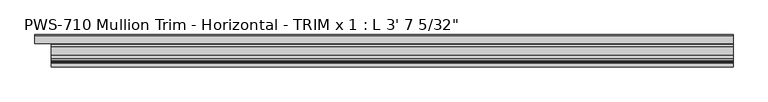
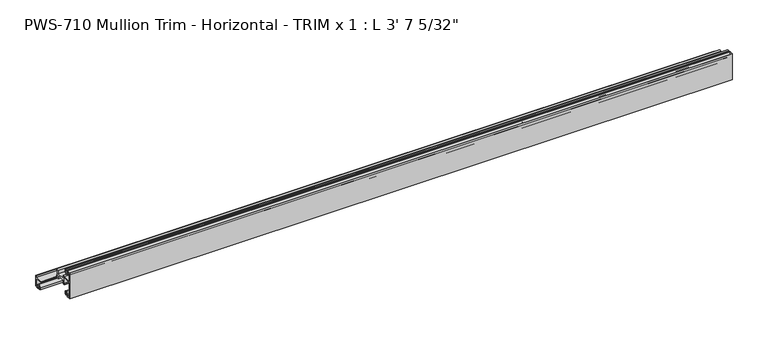
"""IFC4 building model written with IfcOpenShell, lengths in millimetres: proxy geometry."""

from ifc_helpers import new_model, si_unit, frame, origin, place, context, project, spatial, polyline, circle_curve, source, transform, mapped, element, save
from ifc_brep_helpers import plane_surface, cylinder_surface, revolved_surface, advanced_brep


def proxy_5716e7d0(model_context):
    return source(origin(), model_context, "Body", "AdvancedBrep", [
        advanced_brep(
        [(1096.16875, 1.5875, 30.95625), (1096.16875, 1.5875, 42.06748), (1096.16875, 2.38252, 42.8625), (1096.16875, 3.90398, 42.8625), (1096.16875, 4.699, 42.06748), (1096.16875, 4.699, 40.0142401), (1096.16875, 8.6995, 36.4914739), (1096.16875, 12.7, 40.0142401), (1096.16875, 12.7, 43.688), (1096.16875, 10.3627194, 43.688), (1096.16875, 10.2659469, 42.7502912), (1096.16875, 11.1125, 42.7502912), (1096.16875, 11.1125, 40.242076), (1096.16875, 8.6995, 38.1), (1096.16875, 6.2865, 40.242076), (1096.16875, 6.2865, 42.7502912), (1096.16875, 7.1755, 42.7502912), (1096.16875, 7.1755, 43.5416341), (1096.16875, 6.0569064, 44.45), (1096.16875, 0.0, 44.45), (1096.16875, 0.0, 0.0), (1096.16875, 6.0569064, 0.0), (1096.16875, 7.1755, 0.9083659), (1096.16875, 7.1755, 1.6997088), (1096.16875, 6.2865, 1.6997088), (1096.16875, 6.2865, 4.207924), (1096.16875, 8.6995, 6.35), (1096.16875, 11.1125, 4.207924), (1096.16875, 11.1125, 1.6997088), (1096.16875, 10.2659469, 1.6997088), (1096.16875, 10.3627194, 0.762), (1096.16875, 12.7, 0.762), (1096.16875, 12.7, 4.4357599), (1096.16875, 8.6995, 7.9585261), (1096.16875, 4.699, 4.4357599), (1096.16875, 4.699, 2.38252), (1096.16875, 3.90398, 1.5875), (1096.16875, 2.38252, 1.5875), (1096.16875, 1.5875, 2.38252), (1096.16875, 1.5875, 26.19375), (1096.16875, 3.175, 27.78125), (1096.16875, 15.24, 27.78125), (1096.16875, 16.8275, 26.19375), (1096.16875, 16.8275, 15.8792752), (1096.16875, 15.24, 15.8792752), (1096.16875, 15.24, 14.2917752), (1096.16875, 18.415, 14.2917752), (1096.16875, 18.415, 20.2427626), (1096.16875, 32.385, 20.2427626), (1096.16875, 32.385, 14.2917752), (1096.16875, 35.56, 14.2917752), (1096.16875, 49.2125, 14.2917752), (1096.16875, 49.2125, 2.38252), (1096.16875, 48.41748, 1.5875), (1096.16875, 46.89602, 1.5875), (1096.16875, 46.101, 2.38252), (1096.16875, 46.101, 4.4357599), (1096.16875, 42.1005, 7.9585261), (1096.16875, 38.1, 4.4357599), (1096.16875, 38.1, 0.762), (1096.16875, 40.4372806, 0.762), (1096.16875, 40.5340531, 1.6997088), (1096.16875, 39.6875, 1.6997088), (1096.16875, 39.6875, 4.207924), (1096.16875, 42.1005, 6.35), (1096.16875, 44.5135, 4.207924), (1096.16875, 44.5135, 1.6997088), (1096.16875, 43.6245, 1.6997088), (1096.16875, 43.6245, 0.9083659), (1096.16875, 44.7430936, 0.0), (1096.16875, 50.8, 0.0), (1096.16875, 50.8, 17.907), (1096.16875, 49.2125, 17.907), (1096.16875, 49.2125, 15.875), (1096.16875, 34.76625, 15.875), (1096.16875, 33.9725, 15.875), (1096.16875, 33.9725, 17.4625), (1096.16875, 35.56, 17.4625), (1096.16875, 36.35502, 18.25752), (1096.16875, 36.35502, 19.05), (1096.16875, 33.9725, 19.05), (1096.16875, 33.9725, 27.78125), (1096.16875, 35.56, 27.78125), (1096.16875, 35.56, 29.36875), (1096.16875, 32.385, 29.36875), (1096.16875, 32.385, 23.4177626), (1096.16875, 18.415, 23.4177626), (1096.16875, 18.415, 29.36875), (1096.16875, 3.175, 29.36875), (0.0, 49.2125, 15.875), (0.0, 49.2125, 17.907), (0.0, 50.8, 17.907), (0.0, 50.8, 0.0), (0.0, 44.7430936, 0.0), (0.0, 43.6245, 0.9083659), (0.0, 43.6245, 1.6997088), (0.0, 44.5135, 1.6997088), (0.0, 44.5135, 4.207924), (0.0, 42.1005, 6.35), (0.0, 39.6875, 4.207924), (0.0, 39.6875, 1.6997088), (0.0, 40.5340531, 1.6997088), (0.0, 40.4372806, 0.762), (0.0, 38.1, 0.762), (0.0, 38.1, 4.4357599), (0.0, 42.1005, 7.9585261), (0.0, 46.101, 4.4357599), (0.0, 46.101, 2.38252), (0.0, 46.89602, 1.5875), (0.0, 48.41748, 1.5875), (0.0, 49.2125, 2.38252), (0.0, 49.2125, 14.2917752), (0.0, 36.9194335, 14.2917752), (0.0, 36.9194335, 15.875), (25.4, 1.5875, 30.95625), (25.4, 1.5875, 42.06748), (25.4, 2.38252, 42.8625), (25.4, 3.90398, 42.8625), (25.4, 4.699, 42.06748), (25.4, 4.699, 40.0142401), (25.4, 8.6995, 36.4914739), (25.4, 12.7, 40.0142401), (25.4, 12.7, 43.688), (25.4, 10.3627194, 43.688), (25.4, 10.2659469, 42.7502912), (25.4, 11.1125, 42.7502912), (25.4, 11.1125, 40.242076), (25.4, 8.6995, 38.1), (25.4, 6.2865, 40.242076), (25.4, 6.2865, 42.7502912), (25.4, 7.1755, 42.7502912), (25.4, 7.1755, 43.5416341), (25.4, 6.0569064, 44.45), (25.4, 0.0, 44.45), (25.4, 0.0, 0.0), (25.4, 6.0569064, 0.0), (25.4, 7.1755, 0.9083659), (25.4, 7.1755, 1.6997088), (25.4, 6.2865, 1.6997088), (25.4, 6.2865, 4.207924), (25.4, 8.6995, 6.35), (25.4, 11.1125, 4.207924), (25.4, 11.1125, 1.6997088), (25.4, 10.2659469, 1.6997088), (25.4, 10.3627194, 0.762), (25.4, 12.7, 0.762), (25.4, 12.7, 4.4357599), (25.4, 8.6995, 7.9585261), (25.4, 4.699, 4.4357599), (25.4, 4.699, 2.38252), (25.4, 3.90398, 1.5875), (25.4, 2.38252, 1.5875), (25.4, 1.5875, 2.38252), (25.4, 1.5875, 26.19375), (25.4, 3.175, 27.78125), (25.4, 15.24, 27.78125), (25.4, 16.8275, 26.19375), (25.4, 16.8275, 15.8792752), (25.4, 15.24, 15.8792752), (25.4, 15.24, 14.2917752), (25.4, 18.415, 14.2917752), (25.4, 18.415, 20.2427626), (25.4, 32.385, 20.2427626), (25.4, 32.385, 14.2917752), (25.4, 35.56, 14.2917752), (25.4, 36.9194335, 14.2917752), (25.4, 36.9194335, 15.875), (25.4, 34.76625, 15.875), (25.4, 33.9725, 15.875), (25.4, 33.9725, 17.4625), (25.4, 35.56, 17.4625), (25.4, 36.35502, 18.25752), (25.4, 36.35502, 19.05), (25.4, 33.9725, 19.05), (25.4, 33.9725, 27.78125), (25.4, 35.56, 27.78125), (25.4, 35.56, 29.36875), (25.4, 32.385, 29.36875), (25.4, 32.385, 23.4177626), (25.4, 18.415, 23.4177626), (25.4, 18.415, 29.36875), (25.4, 3.175, 29.36875)],
        [
            (0, 1),
            (1, 2, circle_curve(frame((1096.16875, 2.38252, 42.06748), z_axis=(-1.0, 0.0, 0.0), x_axis=(0.0, 1.0, 0.0)), 0.79502)),
            (2, 3),
            (3, 4, circle_curve(frame((1096.16875, 3.90398, 42.06748), z_axis=(-1.0, 0.0, 0.0), x_axis=(0.0, 1.0, 0.0)), 0.79502)),
            (4, 5),
            (5, 6, circle_curve(frame((1096.16875, 9.3305673, 41.2410159), z_axis=(1.0, 0.0, 0.0), x_axis=(0.0, 1.0, 0.0)), 4.7912832)),
            (6, 7, circle_curve(frame((1096.16875, 8.0684327, 41.2410159), z_axis=(1.0, 0.0, 0.0), x_axis=(0.0, 1.0, 0.0)), 4.7912832)),
            (7, 8),
            (8, 9),
            (9, 10, circle_curve(frame((1096.16875, 11.3244879, 43.1148966), z_axis=(1.0, 0.0, 0.0), x_axis=(0.0, 1.0, 0.0)), 1.1195742)),
            (10, 11),
            (11, 12),
            (12, 13, circle_curve(frame((1096.16875, 8.0684327, 41.2410159), z_axis=(-1.0, 0.0, 0.0), x_axis=(0.0, 1.0, 0.0)), 3.2037832)),
            (13, 14, circle_curve(frame((1096.16875, 9.3305673, 41.2410159), z_axis=(-1.0, 0.0, 0.0), x_axis=(0.0, 1.0, 0.0)), 3.2037832)),
            (14, 15),
            (15, 16),
            (16, 17),
            (17, 18, circle_curve(frame((1096.16875, 6.0569064, 43.3070794), z_axis=(1.0, 0.0, 0.0), x_axis=(0.0, 1.0, 0.0)), 1.1429206)),
            (18, 19),
            (19, 20),
            (20, 21),
            (21, 22, circle_curve(frame((1096.16875, 6.0569064, 1.1429206), z_axis=(1.0, 0.0, 0.0), x_axis=(0.0, 1.0, 0.0)), 1.1429206)),
            (22, 23),
            (23, 24),
            (24, 25),
            (25, 26, circle_curve(frame((1096.16875, 9.3305673, 3.2089841), z_axis=(-1.0, 0.0, 0.0), x_axis=(0.0, 1.0, 0.0)), 3.2037832)),
            (26, 27, circle_curve(frame((1096.16875, 8.0684327, 3.2089841), z_axis=(-1.0, 0.0, 0.0), x_axis=(0.0, 1.0, 0.0)), 3.2037832)),
            (27, 28),
            (28, 29),
            (29, 30, circle_curve(frame((1096.16875, 11.3244879, 1.3351034), z_axis=(1.0, 0.0, 0.0), x_axis=(0.0, 1.0, 0.0)), 1.1195742)),
            (30, 31),
            (31, 32),
            (32, 33, circle_curve(frame((1096.16875, 8.0684327, 3.2089841), z_axis=(1.0, 0.0, 0.0), x_axis=(0.0, 1.0, 0.0)), 4.7912832)),
            (33, 34, circle_curve(frame((1096.16875, 9.3305673, 3.2089841), z_axis=(1.0, 0.0, 0.0), x_axis=(0.0, 1.0, 0.0)), 4.7912832)),
            (34, 35),
            (35, 36, circle_curve(frame((1096.16875, 3.90398, 2.38252), z_axis=(-1.0, 0.0, 0.0), x_axis=(0.0, 1.0, 0.0)), 0.79502)),
            (36, 37),
            (37, 38, circle_curve(frame((1096.16875, 2.38252, 2.38252), z_axis=(-1.0, 0.0, 0.0), x_axis=(0.0, 1.0, 0.0)), 0.79502)),
            (38, 39),
            (39, 40, circle_curve(frame((1096.16875, 3.175, 26.19375), z_axis=(-1.0, 0.0, 0.0), x_axis=(0.0, 1.0, 0.0)), 1.5875)),
            (40, 41),
            (41, 42, circle_curve(frame((1096.16875, 15.24, 26.19375), z_axis=(-1.0, 0.0, 0.0), x_axis=(0.0, 1.0, 0.0)), 1.5875)),
            (42, 43),
            (43, 44),
            (44, 45),
            (45, 46),
            (46, 47),
            (47, 48),
            (48, 49),
            (49, 50),
            (50, 51),
            (51, 52),
            (52, 53, circle_curve(frame((1096.16875, 48.41748, 2.38252), z_axis=(-1.0, 0.0, 0.0), x_axis=(0.0, 1.0, 0.0)), 0.79502)),
            (53, 54),
            (54, 55, circle_curve(frame((1096.16875, 46.89602, 2.38252), z_axis=(-1.0, 0.0, 0.0), x_axis=(0.0, 1.0, 0.0)), 0.79502)),
            (55, 56),
            (56, 57, circle_curve(frame((1096.16875, 41.4694327, 3.2089841), z_axis=(1.0, 0.0, 0.0), x_axis=(0.0, 1.0, 0.0)), 4.7912832)),
            (57, 58, circle_curve(frame((1096.16875, 42.7315673, 3.2089841), z_axis=(1.0, 0.0, 0.0), x_axis=(0.0, 1.0, 0.0)), 4.7912832)),
            (58, 59),
            (59, 60),
            (60, 61, circle_curve(frame((1096.16875, 39.4755121, 1.3351034), z_axis=(1.0, 0.0, 0.0), x_axis=(0.0, 1.0, 0.0)), 1.1195742)),
            (61, 62),
            (62, 63),
            (63, 64, circle_curve(frame((1096.16875, 42.7315673, 3.2089841), z_axis=(-1.0, 0.0, 0.0), x_axis=(0.0, 1.0, 0.0)), 3.2037832)),
            (64, 65, circle_curve(frame((1096.16875, 41.4694327, 3.2089841), z_axis=(-1.0, 0.0, 0.0), x_axis=(0.0, 1.0, 0.0)), 3.2037832)),
            (65, 66),
            (66, 67),
            (67, 68),
            (68, 69, circle_curve(frame((1096.16875, 44.7430936, 1.1429206), z_axis=(1.0, 0.0, 0.0), x_axis=(0.0, 1.0, 0.0)), 1.1429206)),
            (69, 70),
            (70, 71),
            (71, 72),
            (72, 73),
            (73, 74),
            (74, 75),
            (75, 76),
            (76, 77),
            (77, 78, circle_curve(frame((1096.16875, 35.56, 18.25752), z_axis=(1.0, 0.0, 0.0), x_axis=(0.0, 1.0, 0.0)), 0.79502)),
            (78, 79),
            (79, 80),
            (80, 81),
            (81, 82),
            (82, 83),
            (83, 84),
            (84, 85),
            (85, 86),
            (86, 87),
            (87, 88),
            (88, 0, circle_curve(frame((1096.16875, 3.175, 30.95625), z_axis=(-1.0, 0.0, 0.0), x_axis=(0.0, 1.0, 0.0)), 1.5875)),
            (89, 90),
            (90, 91),
            (91, 92),
            (92, 93),
            (93, 94, circle_curve(frame((0.0, 44.7430936, 1.1429206), z_axis=(-1.0, 0.0, 0.0), x_axis=(0.0, 1.0, 0.0)), 1.1429206)),
            (94, 95),
            (95, 96),
            (96, 97),
            (97, 98, circle_curve(frame((0.0, 41.4694327, 3.2089841), z_axis=(1.0, 0.0, 0.0), x_axis=(0.0, 1.0, 0.0)), 3.2037832)),
            (98, 99, circle_curve(frame((0.0, 42.7315673, 3.2089841), z_axis=(1.0, 0.0, 0.0), x_axis=(0.0, 1.0, 0.0)), 3.2037832)),
            (99, 100),
            (100, 101),
            (101, 102, circle_curve(frame((0.0, 39.4755121, 1.3351034), z_axis=(-1.0, 0.0, 0.0), x_axis=(0.0, 1.0, 0.0)), 1.1195742)),
            (102, 103),
            (103, 104),
            (104, 105, circle_curve(frame((0.0, 42.7315673, 3.2089841), z_axis=(-1.0, 0.0, 0.0), x_axis=(0.0, 1.0, 0.0)), 4.7912832)),
            (105, 106, circle_curve(frame((0.0, 41.4694327, 3.2089841), z_axis=(-1.0, 0.0, 0.0), x_axis=(0.0, 1.0, 0.0)), 4.7912832)),
            (106, 107),
            (107, 108, circle_curve(frame((0.0, 46.89602, 2.38252), z_axis=(1.0, 0.0, 0.0), x_axis=(0.0, 1.0, 0.0)), 0.79502)),
            (108, 109),
            (109, 110, circle_curve(frame((0.0, 48.41748, 2.38252), z_axis=(1.0, 0.0, 0.0), x_axis=(0.0, 1.0, 0.0)), 0.79502)),
            (110, 111),
            (111, 112),
            (112, 113),
            (113, 89),
            (0, 114),
            (114, 115),
            (115, 1),
            (115, 116, circle_curve(frame((25.4, 2.38252, 42.06748), z_axis=(-1.0, 0.0, 0.0), x_axis=(0.0, 1.0, 0.0)), 0.79502)),
            (116, 2),
            (116, 117),
            (117, 3),
            (117, 118, circle_curve(frame((25.4, 3.90398, 42.06748), z_axis=(-1.0, 0.0, 0.0), x_axis=(0.0, 1.0, 0.0)), 0.79502)),
            (118, 4),
            (118, 119),
            (119, 5),
            (119, 120, circle_curve(frame((25.4, 9.3305673, 41.2410159), z_axis=(1.0, 0.0, 0.0), x_axis=(0.0, 1.0, 0.0)), 4.7912832)),
            (120, 6),
            (120, 121, circle_curve(frame((25.4, 8.0684327, 41.2410159), z_axis=(1.0, 0.0, 0.0), x_axis=(0.0, 1.0, 0.0)), 4.7912832)),
            (121, 7),
            (121, 122),
            (122, 8),
            (122, 123),
            (123, 9),
            (123, 124, circle_curve(frame((25.4, 11.3244879, 43.1148966), z_axis=(1.0, 0.0, 0.0), x_axis=(0.0, 1.0, 0.0)), 1.1195742)),
            (124, 10),
            (124, 125),
            (125, 11),
            (125, 126),
            (126, 12),
            (126, 127, circle_curve(frame((25.4, 8.0684327, 41.2410159), z_axis=(-1.0, 0.0, 0.0), x_axis=(0.0, 1.0, 0.0)), 3.2037832)),
            (127, 13),
            (127, 128, circle_curve(frame((25.4, 9.3305673, 41.2410159), z_axis=(-1.0, 0.0, 0.0), x_axis=(0.0, 1.0, 0.0)), 3.2037832)),
            (128, 14),
            (128, 129),
            (129, 15),
            (129, 130),
            (130, 16),
            (130, 131),
            (131, 17),
            (131, 132, circle_curve(frame((25.4, 6.0569064, 43.3070794), z_axis=(1.0, 0.0, 0.0), x_axis=(0.0, 1.0, 0.0)), 1.1429206)),
            (132, 18),
            (132, 133),
            (133, 19),
            (133, 134),
            (134, 20),
            (134, 135),
            (135, 21),
            (135, 136, circle_curve(frame((25.4, 6.0569064, 1.1429206), z_axis=(1.0, 0.0, 0.0), x_axis=(0.0, 1.0, 0.0)), 1.1429206)),
            (136, 22),
            (136, 137),
            (137, 23),
            (137, 138),
            (138, 24),
            (138, 139),
            (139, 25),
            (139, 140, circle_curve(frame((25.4, 9.3305673, 3.2089841), z_axis=(-1.0, 0.0, 0.0), x_axis=(0.0, 1.0, 0.0)), 3.2037832)),
            (140, 26),
            (140, 141, circle_curve(frame((25.4, 8.0684327, 3.2089841), z_axis=(-1.0, 0.0, 0.0), x_axis=(0.0, 1.0, 0.0)), 3.2037832)),
            (141, 27),
            (141, 142),
            (142, 28),
            (142, 143),
            (143, 29),
            (143, 144, circle_curve(frame((25.4, 11.3244879, 1.3351034), z_axis=(1.0, 0.0, 0.0), x_axis=(0.0, 1.0, 0.0)), 1.1195742)),
            (144, 30),
            (144, 145),
            (145, 31),
            (145, 146),
            (146, 32),
            (146, 147, circle_curve(frame((25.4, 8.0684327, 3.2089841), z_axis=(1.0, 0.0, 0.0), x_axis=(0.0, 1.0, 0.0)), 4.7912832)),
            (147, 33),
            (147, 148, circle_curve(frame((25.4, 9.3305673, 3.2089841), z_axis=(1.0, 0.0, 0.0), x_axis=(0.0, 1.0, 0.0)), 4.7912832)),
            (148, 34),
            (148, 149),
            (149, 35),
            (149, 150, circle_curve(frame((25.4, 3.90398, 2.38252), z_axis=(-1.0, 0.0, 0.0), x_axis=(0.0, 1.0, 0.0)), 0.79502)),
            (150, 36),
            (150, 151),
            (151, 37),
            (151, 152, circle_curve(frame((25.4, 2.38252, 2.38252), z_axis=(-1.0, 0.0, 0.0), x_axis=(0.0, 1.0, 0.0)), 0.79502)),
            (152, 38),
            (152, 153),
            (153, 39),
            (153, 154, circle_curve(frame((25.4, 3.175, 26.19375), z_axis=(-1.0, 0.0, 0.0), x_axis=(0.0, 1.0, 0.0)), 1.5875)),
            (154, 40),
            (154, 155),
            (155, 41),
            (155, 156, circle_curve(frame((25.4, 15.24, 26.19375), z_axis=(-1.0, 0.0, 0.0), x_axis=(0.0, 1.0, 0.0)), 1.5875)),
            (156, 42),
            (156, 157),
            (157, 43),
            (157, 158),
            (158, 44),
            (158, 159),
            (159, 45),
            (159, 160),
            (160, 46),
            (160, 161),
            (161, 47),
            (161, 162),
            (162, 48),
            (162, 163),
            (163, 49),
            (163, 164),
            (164, 50),
            (164, 165),
            (165, 112),
            (111, 51),
            (110, 52),
            (109, 53),
            (108, 54),
            (107, 55),
            (106, 56),
            (105, 57),
            (104, 58),
            (103, 59),
            (102, 60),
            (101, 61),
            (100, 62),
            (99, 63),
            (98, 64),
            (97, 65),
            (96, 66),
            (95, 67),
            (94, 68),
            (93, 69),
            (92, 70),
            (91, 71),
            (90, 72),
            (89, 73),
            (113, 166),
            (166, 167),
            (167, 74),
            (167, 168),
            (168, 75),
            (168, 169),
            (169, 76),
            (169, 170),
            (170, 77),
            (170, 171, circle_curve(frame((25.4, 35.56, 18.25752), z_axis=(1.0, 0.0, 0.0), x_axis=(0.0, 1.0, 0.0)), 0.79502)),
            (171, 78),
            (171, 172),
            (172, 79),
            (172, 173),
            (173, 80),
            (173, 174),
            (174, 81),
            (174, 175),
            (175, 82),
            (175, 176),
            (176, 83),
            (176, 177),
            (177, 84),
            (177, 178),
            (178, 85),
            (178, 179),
            (179, 86),
            (179, 180),
            (180, 87),
            (180, 181),
            (181, 88),
            (181, 114, circle_curve(frame((25.4, 3.175, 30.95625), z_axis=(-1.0, 0.0, 0.0), x_axis=(0.0, 1.0, 0.0)), 1.5875)),
            (165, 166),
        ],
        [
            plane_surface(frame((1096.16875, 1.5875, 30.95625), z_axis=(1.0, 0.0, 0.0), x_axis=(0.0, 0.0, 1.0))),
            plane_surface(frame((0.0, 1.5875, 30.95625), z_axis=(-1.0, 0.0, 0.0), x_axis=(0.0, 0.0, -1.0))),
            plane_surface(frame((1096.16875, 1.5875, 30.95625), z_axis=(0.0, 1.0, 0.0), x_axis=(-1.0, 0.0, 0.0))),
            revolved_surface(polyline([(25.4, 3.17754, 42.06748), (1096.16875, 3.17754, 42.06748)]), (0.0, 2.38252, 42.06748), (-1.0, 0.0, 0.0)),
            plane_surface(frame((1096.16875, 2.38252, 42.8625), z_axis=(0.0, 0.0, -1.0), x_axis=(-1.0, 0.0, 0.0))),
            revolved_surface(polyline([(25.4, 4.699, 42.06748), (1096.16875, 4.699, 42.06748)]), (0.0, 3.90398, 42.06748), (-1.0, 0.0, 0.0)),
            plane_surface(frame((1096.16875, 4.699, 42.06748), z_axis=(0.0, -1.0, 0.0), x_axis=(-1.0, 0.0, 0.0))),
            cylinder_surface(frame((0.0, 9.3305673, 41.2410159), z_axis=(1.0, 0.0, 0.0), x_axis=(0.0, 1.0, 0.0)), 4.7912832),
            cylinder_surface(frame((0.0, 8.0684327, 41.2410159), z_axis=(1.0, 0.0, 0.0), x_axis=(0.0, 1.0, 0.0)), 4.7912832),
            plane_surface(frame((1096.16875, 12.7, 40.0142401), z_axis=(0.0, 1.0, 0.0), x_axis=(-1.0, 0.0, 0.0))),
            plane_surface(frame((1096.16875, 12.7, 43.688), z_axis=(0.0, 0.0, 1.0), x_axis=(-1.0, 0.0, 0.0))),
            cylinder_surface(frame((0.0, 11.3244879, 43.1148966), z_axis=(1.0, 0.0, 0.0), x_axis=(0.0, 1.0, 0.0)), 1.1195742),
            plane_surface(frame((1096.16875, 10.2659469, 42.7502912), z_axis=(0.0, 0.0, -1.0), x_axis=(-1.0, 0.0, 0.0))),
            plane_surface(frame((1096.16875, 11.1125, 42.7502912), z_axis=(0.0, -1.0, 0.0), x_axis=(-1.0, 0.0, 0.0))),
            revolved_surface(polyline([(25.4, 11.2722159, 41.2410159), (1096.16875, 11.2722159, 41.2410159)]), (0.0, 8.0684327, 41.2410159), (-1.0, 0.0, 0.0)),
            revolved_surface(polyline([(25.4, 12.5343505, 41.2410159), (1096.16875, 12.5343505, 41.2410159)]), (0.0, 9.3305673, 41.2410159), (-1.0, 0.0, 0.0)),
            plane_surface(frame((1096.16875, 6.2865, 40.242076), z_axis=(0.0, 1.0, 0.0), x_axis=(-1.0, 0.0, 0.0))),
            plane_surface(frame((1096.16875, 6.2865, 42.7502912), z_axis=(0.0, 0.0, -1.0), x_axis=(-1.0, 0.0, 0.0))),
            plane_surface(frame((1096.16875, 7.1755, 42.7502912), z_axis=(0.0, 1.0, 0.0), x_axis=(-1.0, 0.0, 0.0))),
            cylinder_surface(frame((0.0, 6.0569064, 43.3070794), z_axis=(1.0, 0.0, 0.0), x_axis=(0.0, 1.0, 0.0)), 1.1429206),
            plane_surface(frame((1096.16875, 6.0569064, 44.45), z_axis=(0.0, 0.0, 1.0), x_axis=(-1.0, 0.0, 0.0))),
            plane_surface(frame((1096.16875, 0.0, 44.45), z_axis=(0.0, -1.0, 0.0), x_axis=(-1.0, 0.0, 0.0))),
            plane_surface(frame((1096.16875, 0.0, 0.0), z_axis=(0.0, 0.0, -1.0), x_axis=(-1.0, 0.0, 0.0))),
            cylinder_surface(frame((0.0, 6.0569064, 1.1429206), z_axis=(1.0, 0.0, 0.0), x_axis=(0.0, 1.0, 0.0)), 1.1429206),
            plane_surface(frame((1096.16875, 7.1755, 0.9083659), z_axis=(0.0, 1.0, 0.0), x_axis=(-1.0, 0.0, 0.0))),
            plane_surface(frame((1096.16875, 7.1755, 1.6997088), z_axis=(0.0, 0.0, 1.0), x_axis=(-1.0, 0.0, 0.0))),
            plane_surface(frame((1096.16875, 6.2865, 1.6997088), z_axis=(0.0, 1.0, 0.0), x_axis=(-1.0, 0.0, 0.0))),
            revolved_surface(polyline([(25.4, 12.5343505, 3.2089841), (1096.16875, 12.5343505, 3.2089841)]), (0.0, 9.3305673, 3.2089841), (-1.0, 0.0, 0.0)),
            revolved_surface(polyline([(25.4, 11.2722159, 3.2089841), (1096.16875, 11.2722159, 3.2089841)]), (0.0, 8.0684327, 3.2089841), (-1.0, 0.0, 0.0)),
            plane_surface(frame((1096.16875, 11.1125, 4.207924), z_axis=(0.0, -1.0, 0.0), x_axis=(-1.0, 0.0, 0.0))),
            plane_surface(frame((1096.16875, 11.1125, 1.6997088), z_axis=(0.0, 0.0, 1.0), x_axis=(-1.0, 0.0, 0.0))),
            cylinder_surface(frame((0.0, 11.3244879, 1.3351034), z_axis=(1.0, 0.0, 0.0), x_axis=(0.0, 1.0, 0.0)), 1.1195742),
            plane_surface(frame((1096.16875, 10.3627194, 0.762), z_axis=(0.0, 0.0, -1.0), x_axis=(-1.0, 0.0, 0.0))),
            plane_surface(frame((1096.16875, 12.7, 0.762), z_axis=(0.0, 1.0, 0.0), x_axis=(-1.0, 0.0, 0.0))),
            cylinder_surface(frame((0.0, 8.0684327, 3.2089841), z_axis=(1.0, 0.0, 0.0), x_axis=(0.0, 1.0, 0.0)), 4.7912832),
            cylinder_surface(frame((0.0, 9.3305673, 3.2089841), z_axis=(1.0, 0.0, 0.0), x_axis=(0.0, 1.0, 0.0)), 4.7912832),
            plane_surface(frame((1096.16875, 4.699, 4.4357599), z_axis=(0.0, -1.0, 0.0), x_axis=(-1.0, 0.0, 0.0))),
            revolved_surface(polyline([(25.4, 4.699, 2.38252), (1096.16875, 4.699, 2.38252)]), (0.0, 3.90398, 2.38252), (-1.0, 0.0, 0.0)),
            plane_surface(frame((1096.16875, 3.90398, 1.5875), z_axis=(0.0, 0.0, 1.0), x_axis=(-1.0, 0.0, 0.0))),
            revolved_surface(polyline([(25.4, 3.17754, 2.38252), (1096.16875, 3.17754, 2.38252)]), (0.0, 2.38252, 2.38252), (-1.0, 0.0, 0.0)),
            plane_surface(frame((1096.16875, 1.5875, 2.38252), z_axis=(0.0, 1.0, 0.0), x_axis=(-1.0, 0.0, 0.0))),
            revolved_surface(polyline([(25.4, 4.762499999999999, 26.19375), (1096.16875, 4.762499999999999, 26.19375)]), (0.0, 3.175, 26.19375), (-1.0, 0.0, 0.0)),
            plane_surface(frame((1096.16875, 3.175, 27.78125), z_axis=(0.0, 0.0, -1.0), x_axis=(-1.0, 0.0, 0.0))),
            revolved_surface(polyline([(25.4, 16.8275, 26.19375), (1096.16875, 16.8275, 26.19375)]), (0.0, 15.24, 26.19375), (-1.0, 0.0, 0.0)),
            plane_surface(frame((1096.16875, 16.8275, 26.19375), z_axis=(0.0, -1.0, 0.0), x_axis=(-1.0, 0.0, 0.0))),
            plane_surface(frame((1096.16875, 16.8275, 15.8792752), z_axis=(0.0, 0.0, 1.0), x_axis=(-1.0, 0.0, 0.0))),
            plane_surface(frame((1096.16875, 15.24, 15.8792752), z_axis=(0.0, -1.0, 0.0), x_axis=(-1.0, 0.0, 0.0))),
            plane_surface(frame((1096.16875, 15.24, 14.2917752), z_axis=(0.0, 0.0, -1.0), x_axis=(-1.0, 0.0, 0.0))),
            plane_surface(frame((1096.16875, 18.415, 14.2917752), z_axis=(0.0, 1.0, 0.0), x_axis=(-1.0, 0.0, 0.0))),
            plane_surface(frame((1096.16875, 18.415, 20.2427626), z_axis=(0.0, 0.0, -1.0), x_axis=(-1.0, 0.0, 0.0))),
            plane_surface(frame((1096.16875, 32.385, 20.2427626), z_axis=(0.0, -1.0, 0.0), x_axis=(-1.0, 0.0, 0.0))),
            plane_surface(frame((1096.16875, 32.385, 14.2917752), z_axis=(0.0, 0.0, -1.0), x_axis=(-1.0, 0.0, 0.0))),
            plane_surface(frame((1096.16875, 35.56, 14.2917752), z_axis=(0.0, 0.0, -1.0), x_axis=(-1.0, 0.0, 0.0))),
            plane_surface(frame((1096.16875, 49.2125, 14.2917752), z_axis=(0.0, -1.0, 0.0), x_axis=(-1.0, 0.0, 0.0))),
            revolved_surface(polyline([(0.0, 49.2125, 2.38252), (1096.16875, 49.2125, 2.38252)]), (0.0, 48.41748, 2.38252), (-1.0, 0.0, 0.0)),
            plane_surface(frame((1096.16875, 48.41748, 1.5875), z_axis=(0.0, 0.0, 1.0), x_axis=(-1.0, 0.0, 0.0))),
            revolved_surface(polyline([(0.0, 47.69104, 2.38252), (1096.16875, 47.69104, 2.38252)]), (0.0, 46.89602, 2.38252), (-1.0, 0.0, 0.0)),
            plane_surface(frame((1096.16875, 46.101, 2.38252), z_axis=(0.0, 1.0, 0.0), x_axis=(-1.0, 0.0, 0.0))),
            cylinder_surface(frame((0.0, 41.4694327, 3.2089841), z_axis=(1.0, 0.0, 0.0), x_axis=(0.0, 1.0, 0.0)), 4.7912832),
            cylinder_surface(frame((0.0, 42.7315673, 3.2089841), z_axis=(1.0, 0.0, 0.0), x_axis=(0.0, 1.0, 0.0)), 4.7912832),
            plane_surface(frame((1096.16875, 38.1, 4.4357599), z_axis=(0.0, -1.0, 0.0), x_axis=(-1.0, 0.0, 0.0))),
            plane_surface(frame((1096.16875, 38.1, 0.762), z_axis=(0.0, 0.0, -1.0), x_axis=(-1.0, 0.0, 0.0))),
            cylinder_surface(frame((0.0, 39.4755121, 1.3351034), z_axis=(1.0, 0.0, 0.0), x_axis=(0.0, 1.0, 0.0)), 1.1195742),
            plane_surface(frame((1096.16875, 40.5340531, 1.6997088), z_axis=(0.0, 0.0, 1.0), x_axis=(-1.0, 0.0, 0.0))),
            plane_surface(frame((1096.16875, 39.6875, 1.6997088), z_axis=(0.0, 1.0, 0.0), x_axis=(-1.0, 0.0, 0.0))),
            revolved_surface(polyline([(0.0, 45.9353505, 3.2089841), (1096.16875, 45.9353505, 3.2089841)]), (0.0, 42.7315673, 3.2089841), (-1.0, 0.0, 0.0)),
            revolved_surface(polyline([(0.0, 44.6732159, 3.2089841), (1096.16875, 44.6732159, 3.2089841)]), (0.0, 41.4694327, 3.2089841), (-1.0, 0.0, 0.0)),
            plane_surface(frame((1096.16875, 44.5135, 4.207924), z_axis=(0.0, -1.0, 0.0), x_axis=(-1.0, 0.0, 0.0))),
            plane_surface(frame((1096.16875, 44.5135, 1.6997088), z_axis=(0.0, 0.0, 1.0), x_axis=(-1.0, 0.0, 0.0))),
            plane_surface(frame((1096.16875, 43.6245, 1.6997088), z_axis=(0.0, -1.0, 0.0), x_axis=(-1.0, 0.0, 0.0))),
            cylinder_surface(frame((0.0, 44.7430936, 1.1429206), z_axis=(1.0, 0.0, 0.0), x_axis=(0.0, 1.0, 0.0)), 1.1429206),
            plane_surface(frame((1096.16875, 44.7430936, 0.0), z_axis=(0.0, 0.0, -1.0), x_axis=(-1.0, 0.0, 0.0))),
            plane_surface(frame((1096.16875, 50.8, 0.0), z_axis=(0.0, 1.0, 0.0), x_axis=(-1.0, 0.0, 0.0))),
            plane_surface(frame((1096.16875, 50.8, 17.907), z_axis=(0.0, 0.0, 1.0), x_axis=(-1.0, 0.0, 0.0))),
            plane_surface(frame((1096.16875, 49.2125, 17.907), z_axis=(0.0, -1.0, 0.0), x_axis=(-1.0, 0.0, 0.0))),
            plane_surface(frame((1096.16875, 49.2125, 15.875), z_axis=(0.0, 0.0, 1.0), x_axis=(-1.0, 0.0, 0.0))),
            plane_surface(frame((1096.16875, 34.76625, 15.875), z_axis=(0.0, 0.0, 1.0), x_axis=(-1.0, 0.0, 0.0))),
            plane_surface(frame((1096.16875, 33.9725, 15.875), z_axis=(0.0, 1.0, 0.0), x_axis=(-1.0, 0.0, 0.0))),
            plane_surface(frame((1096.16875, 33.9725, 17.4625), z_axis=(0.0, 0.0, -1.0), x_axis=(-1.0, 0.0, 0.0))),
            cylinder_surface(frame((0.0, 35.56, 18.25752), z_axis=(1.0, 0.0, 0.0), x_axis=(0.0, 1.0, 0.0)), 0.79502),
            plane_surface(frame((1096.16875, 36.35502, 18.25752), z_axis=(0.0, 1.0, 0.0), x_axis=(-1.0, 0.0, 0.0))),
            plane_surface(frame((1096.16875, 36.35502, 19.05), z_axis=(0.0, 0.0, 1.0), x_axis=(-1.0, 0.0, 0.0))),
            plane_surface(frame((1096.16875, 33.9725, 19.05), z_axis=(0.0, 1.0, 0.0), x_axis=(-1.0, 0.0, 0.0))),
            plane_surface(frame((1096.16875, 33.9725, 27.78125), z_axis=(0.0, 0.0, -1.0), x_axis=(-1.0, 0.0, 0.0))),
            plane_surface(frame((1096.16875, 35.56, 27.78125), z_axis=(0.0, 1.0, 0.0), x_axis=(-1.0, 0.0, 0.0))),
            plane_surface(frame((1096.16875, 35.56, 29.36875), z_axis=(0.0, 0.0, 1.0), x_axis=(-1.0, 0.0, 0.0))),
            plane_surface(frame((1096.16875, 32.385, 29.36875), z_axis=(0.0, -1.0, 0.0), x_axis=(-1.0, 0.0, 0.0))),
            plane_surface(frame((1096.16875, 32.385, 23.4177626), z_axis=(0.0, 0.0, 1.0), x_axis=(-1.0, 0.0, 0.0))),
            plane_surface(frame((1096.16875, 18.415, 23.4177626), z_axis=(0.0, 1.0, 0.0), x_axis=(-1.0, 0.0, 0.0))),
            plane_surface(frame((1096.16875, 18.415, 29.36875), z_axis=(0.0, 0.0, 1.0), x_axis=(-1.0, 0.0, 0.0))),
            revolved_surface(polyline([(25.4, 4.762499999999999, 30.95625), (1096.16875, 4.762499999999999, 30.95625)]), (0.0, 3.175, 30.95625), (-1.0, 0.0, 0.0)),
            plane_surface(frame((25.4, 36.9194335, 45.0726864), z_axis=(0.0, -1.0, 0.0), x_axis=(0.0, 0.0, -1.0))),
            plane_surface(frame((25.4, 0.0, 45.0726864), z_axis=(-1.0, 0.0, 0.0), x_axis=(0.0, 0.0, -1.0))),
        ],
        [
            (0, [[1, 2, 3, 4, 5, 6, 7, 8, 9, 10, 11, 12, 13, 14, 15, 16, 17, 18, 19, 20, 21, 22, 23, 24, 25, 26, 27, 28, 29, 30, 31, 32, 33, 34, 35, 36, 37, 38, 39, 40, 41, 42, 43, 44, 45, 46, 47, 48, 49, 50, 51, 52, 53, 54, 55, 56, 57, 58, 59, 60, 61, 62, 63, 64, 65, 66, 67, 68, 69, 70, 71, 72, 73, 74, 75, 76, 77, 78, 79, 80, 81, 82, 83, 84, 85, 86, 87, 88, 89]]),
            (1, [[90, 91, 92, 93, 94, 95, 96, 97, 98, 99, 100, 101, 102, 103, 104, 105, 106, 107, 108, 109, 110, 111, 112, 113, 114]]),
            (2, [[-1, 115, 116, 117]]),
            (3, [[-2, -117, 118, 119]]),
            (4, [[-3, -119, 120, 121]]),
            (5, [[-4, -121, 122, 123]]),
            (6, [[-5, -123, 124, 125]]),
            (7, [[-6, -125, 126, 127]]),
            (8, [[-7, -127, 128, 129]]),
            (9, [[-8, -129, 130, 131]]),
            (10, [[-9, -131, 132, 133]]),
            (11, [[-10, -133, 134, 135]]),
            (12, [[-11, -135, 136, 137]]),
            (13, [[-12, -137, 138, 139]]),
            (14, [[-13, -139, 140, 141]]),
            (15, [[-14, -141, 142, 143]]),
            (16, [[-15, -143, 144, 145]]),
            (17, [[-16, -145, 146, 147]]),
            (18, [[-17, -147, 148, 149]]),
            (19, [[-18, -149, 150, 151]]),
            (20, [[-19, -151, 152, 153]]),
            (21, [[-20, -153, 154, 155]]),
            (22, [[-21, -155, 156, 157]]),
            (23, [[-22, -157, 158, 159]]),
            (24, [[-23, -159, 160, 161]]),
            (25, [[-24, -161, 162, 163]]),
            (26, [[-25, -163, 164, 165]]),
            (27, [[-26, -165, 166, 167]]),
            (28, [[-27, -167, 168, 169]]),
            (29, [[-28, -169, 170, 171]]),
            (30, [[-29, -171, 172, 173]]),
            (31, [[-30, -173, 174, 175]]),
            (32, [[-31, -175, 176, 177]]),
            (33, [[-32, -177, 178, 179]]),
            (34, [[-33, -179, 180, 181]]),
            (35, [[-34, -181, 182, 183]]),
            (36, [[-35, -183, 184, 185]]),
            (37, [[-36, -185, 186, 187]]),
            (38, [[-37, -187, 188, 189]]),
            (39, [[-38, -189, 190, 191]]),
            (40, [[-39, -191, 192, 193]]),
            (41, [[-40, -193, 194, 195]]),
            (42, [[-41, -195, 196, 197]]),
            (43, [[-42, -197, 198, 199]]),
            (44, [[-43, -199, 200, 201]]),
            (45, [[-44, -201, 202, 203]]),
            (46, [[-45, -203, 204, 205]]),
            (47, [[-46, -205, 206, 207]]),
            (48, [[-47, -207, 208, 209]]),
            (49, [[-48, -209, 210, 211]]),
            (50, [[-49, -211, 212, 213]]),
            (51, [[-50, -213, 214, 215]]),
            (52, [[-51, -215, 216, 217, -112, 218]]),
            (53, [[-52, -218, -111, 219]]),
            (54, [[-53, -219, -110, 220]]),
            (55, [[-54, -220, -109, 221]]),
            (56, [[-55, -221, -108, 222]]),
            (57, [[-56, -222, -107, 223]]),
            (58, [[-57, -223, -106, 224]]),
            (59, [[-58, -224, -105, 225]]),
            (60, [[-59, -225, -104, 226]]),
            (61, [[-60, -226, -103, 227]]),
            (62, [[-61, -227, -102, 228]]),
            (63, [[-62, -228, -101, 229]]),
            (64, [[-63, -229, -100, 230]]),
            (65, [[-64, -230, -99, 231]]),
            (66, [[-65, -231, -98, 232]]),
            (67, [[-66, -232, -97, 233]]),
            (68, [[-67, -233, -96, 234]]),
            (69, [[-68, -234, -95, 235]]),
            (70, [[-69, -235, -94, 236]]),
            (71, [[-70, -236, -93, 237]]),
            (72, [[-71, -237, -92, 238]]),
            (73, [[-72, -238, -91, 239]]),
            (74, [[-73, -239, -90, 240]]),
            (75, [[-74, -240, -114, 241, 242, 243]]),
            (76, [[-75, -243, 244, 245]]),
            (77, [[-76, -245, 246, 247]]),
            (78, [[-77, -247, 248, 249]]),
            (79, [[-78, -249, 250, 251]]),
            (80, [[-79, -251, 252, 253]]),
            (81, [[-80, -253, 254, 255]]),
            (82, [[-81, -255, 256, 257]]),
            (83, [[-82, -257, 258, 259]]),
            (84, [[-83, -259, 260, 261]]),
            (85, [[-84, -261, 262, 263]]),
            (86, [[-85, -263, 264, 265]]),
            (87, [[-86, -265, 266, 267]]),
            (88, [[-87, -267, 268, 269]]),
            (89, [[-88, -269, 270, 271]]),
            (90, [[-89, -271, 272, -115]]),
            (91, [[273, -241, -113, -217]]),
            (92, [[-273, -216, -214, -212, -210, -208, -206, -204, -202, -200, -198, -196, -194, -192, -190, -188, -186, -184, -182, -180, -178, -176, -174, -172, -170, -168, -166, -164, -162, -160, -158, -156, -154, -152, -150, -148, -146, -144, -142, -140, -138, -136, -134, -132, -130, -128, -126, -124, -122, -120, -118, -116, -272, -270, -268, -266, -264, -262, -260, -258, -256, -254, -252, -250, -248, -246, -244, -242]]),
        ],
    ),
    ])


if __name__ == "__main__":
    model = new_model("IFC4")
    model_context = context("Model", 3, world=origin())
    ifc_project = project(units=[si_unit("LENGTHUNIT", "METRE", prefix="MILLI")], contexts=[model_context])
    site = spatial("IfcSite", under=ifc_project)
    building = spatial("IfcBuilding", under=site)
    placement = place(None, origin())
    proxy_shape = proxy_5716e7d0(model_context)
    element("IfcBuildingElementProxy", 1, Name="PWS-710 Mullion Trim - Horizontal - TRIM x 1 : L 3' 7 5/32\"", ObjectType="PWS-710 Mullion Trim - Horizontal - TRIM x 1 : L 3' 7 5/32\"", at=placement, inside=building, context=model_context, shape_type="MappedRepresentation", body=[
        mapped(proxy_shape, transform((0.0, 0.0, 0.0), x_axis=(1.0, 0.0, 0.0), y_axis=(0.0, 1.0, 0.0), z_axis=(0.0, 0.0, 1.0))),
    ])
    save(model, "model.ifc")
